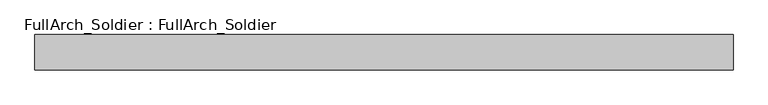
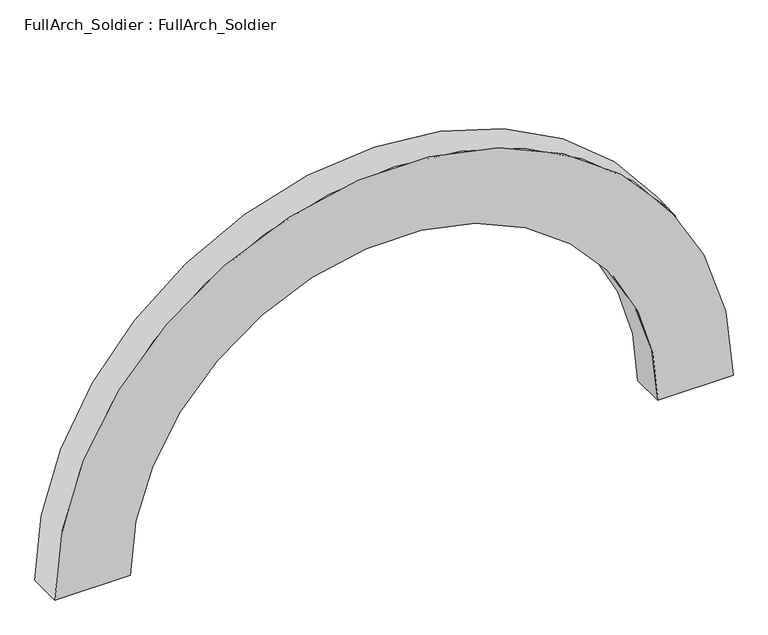
"""IFC4 building model written with IfcOpenShell, lengths in millimetres: proxy geometry, FullArch_Soldier : FullArch_Soldier."""

import ifcopenshell
import ifcopenshell.guid

model = None  # the IFC model being written
_history = None  # IfcOwnerHistory: only IFC2X3 demands one
_inside = {}  # id of a spatial element -> (the spatial element, [elements in it])
_under = {}  # id of a project, library or spatial element -> (it, [spatial elements below it])
_declared = {}  # id of a project -> (the project, [libraries it declares])
_typed = {}  # id of a type object -> (the type object, [elements of that type])
_made_of = {}  # id of a material, layer set ... -> (it, [elements and type objects made of it])


def new_model(schema):
    """Start an empty IFC model of exactly this schema.

    Asked for "IFC4X3", IfcOpenShell would pick the latest addendum, in which some entities
    have other attributes; the version numbers below select the first issue.
    IFC2X3 requires an IfcOwnerHistory on every rooted entity: one is made here for all.
    """
    global model, _history
    if schema == "IFC4X3":
        model = ifcopenshell.file(schema_version=(4, 3, 0, 0))
    else:
        model = ifcopenshell.file(schema=schema)
    _inside.clear()
    _under.clear()
    _declared.clear()
    _typed.clear()
    _made_of.clear()
    _history = None
    if model.schema == "IFC2X3":
        org = make("IfcOrganization", Name="unknown")
        user = make(
            "IfcPersonAndOrganization",
            ThePerson=make("IfcPerson", FamilyName="unknown"),
            TheOrganization=org,
        )
        app = make(
            "IfcApplication",
            ApplicationDeveloper=org,
            Version="unknown",
            ApplicationFullName="unknown",
            ApplicationIdentifier="unknown",
        )
        _history = make(
            "IfcOwnerHistory",
            OwningUser=user,
            OwningApplication=app,
            ChangeAction="ADDED",
            CreationDate=0,
        )
    return model


def make(cls, **values):
    """One entity of the class cls with the attributes given. An attribute that is None is left unset."""
    return model.create_entity(
        cls, **{name: value for name, value in values.items() if value is not None}
    )


def rooted(cls, **values):
    """An entity with a GlobalId (a new one), such as an element, a storey or a relation."""
    return make(cls, GlobalId=ifcopenshell.guid.new(), OwnerHistory=_history, **values)


def si_unit(unit_type, name, prefix=None):
    """IfcSIUnit, for example si_unit("LENGTHUNIT", "METRE", prefix="MILLI")."""
    return make("IfcSIUnit", UnitType=unit_type, Prefix=prefix, Name=name)


def assignment(units):
    """IfcUnitAssignment: the units of a project."""
    return None if units is None else make("IfcUnitAssignment", Units=units)


def point(xyz):
    """IfcCartesianPoint."""
    return None if xyz is None else make("IfcCartesianPoint", Coordinates=xyz)


def direction(xyz):
    """IfcDirection."""
    return None if xyz is None else make("IfcDirection", DirectionRatios=xyz)


def frame(location, z_axis=None, x_axis=None):
    """IfcAxis2Placement3D, a coordinate frame: its origin and axes. An axis left out is left unset."""
    return make(
        "IfcAxis2Placement3D",
        Location=point(location),
        Axis=direction(z_axis),
        RefDirection=direction(x_axis),
    )


def frame_2d(location, x_axis=None):
    """IfcAxis2Placement2D, a coordinate frame in the plane: its origin and x axis."""
    return make(
        "IfcAxis2Placement2D", Location=point(location), RefDirection=direction(x_axis)
    )


def origin():
    """The frame at (0, 0, 0) with its axes left unset."""
    return frame((0.0, 0.0, 0.0))


def origin_2d():
    """The frame at (0, 0) in the plane with its x axis left unset."""
    return frame_2d((0.0, 0.0))


def place(relative_to, where):
    """IfcLocalPlacement: puts the frame where relative to a parent placement (None: the world)."""
    return make(
        "IfcLocalPlacement", PlacementRelTo=relative_to, RelativePlacement=where
    )


def context(
    kind, dimensions, precision=None, world=None, true_north=None, identifier=None
):
    """IfcGeometricRepresentationContext, for example the 3D "Model" context."""
    return make(
        "IfcGeometricRepresentationContext",
        ContextIdentifier=identifier,
        ContextType=kind,
        CoordinateSpaceDimension=dimensions,
        Precision=precision,
        WorldCoordinateSystem=world,
        TrueNorth=true_north,
    )


def project(units=None, contexts=None):
    """IfcProject with its units and contexts."""
    return rooted(
        "IfcProject",
        Name="project",
        RepresentationContexts=contexts,
        UnitsInContext=assignment(units),
    )


def spatial(cls, under=None, at=None, **own):
    """A site, building, storey or space (cls), placed at a placement, below another one or the project."""
    s = rooted(cls, ObjectPlacement=at, **own)
    if under is not None:
        _under.setdefault(under.id(), (under, []))[1].append(s)
    return s


def polyline(points):
    """IfcPolyline through the points."""
    return make("IfcPolyline", Points=[point(p) for p in points])


def circle_curve(where, radius):
    """IfcCircle in the frame where."""
    return make("IfcCircle", Position=where, Radius=radius)


def trimmed(basis, trim1, trim2, sense, master):
    """IfcTrimmedCurve: the piece of a basis curve between two trims."""
    return make(
        "IfcTrimmedCurve",
        BasisCurve=basis,
        Trim1=trim1,
        Trim2=trim2,
        SenseAgreement=sense,
        MasterRepresentation=master,
    )


def segment(curve, same_sense, transition):
    """IfcCompositeCurveSegment."""
    return make(
        "IfcCompositeCurveSegment",
        Transition=transition,
        SameSense=same_sense,
        ParentCurve=curve,
    )


def composite_curve(segments, self_intersect=None):
    """IfcCompositeCurve: segments joined end to end."""
    return make("IfcCompositeCurve", Segments=segments, SelfIntersect=self_intersect)


def outline(outer, holes=None, kind="AREA"):
    """IfcArbitraryClosedProfileDef: a profile drawn as a closed curve; with holes, ...WithVoids."""
    if holes is None:
        return make("IfcArbitraryClosedProfileDef", ProfileType=kind, OuterCurve=outer)
    return make(
        "IfcArbitraryProfileDefWithVoids",
        ProfileType=kind,
        OuterCurve=outer,
        InnerCurves=holes,
    )


def extrude(swept, where, along, depth):
    """IfcExtrudedAreaSolid: the profile swept, set in the frame where, extruded along a direction by depth."""
    return make(
        "IfcExtrudedAreaSolid",
        SweptArea=swept,
        Position=where,
        ExtrudedDirection=direction(along),
        Depth=depth,
    )


def shape(context_of_items, identifier, shape_type, items):
    """IfcShapeRepresentation: the items that make up one representation, for example the "Body"."""
    return make(
        "IfcShapeRepresentation",
        ContextOfItems=context_of_items,
        RepresentationIdentifier=identifier,
        RepresentationType=shape_type,
        Items=items,
    )


def source(mapping_origin, context_of_items, identifier, shape_type, items):
    """IfcRepresentationMap: a shape defined once, which mapped items show again and again."""
    return make(
        "IfcRepresentationMap",
        MappingOrigin=mapping_origin,
        MappedRepresentation=shape(context_of_items, identifier, shape_type, items),
    )


def transform(
    local_origin,
    x_axis=None,
    y_axis=None,
    z_axis=None,
    scale=None,
    scale2=None,
    scale3=None,
    uniform=True,
):
    """IfcCartesianTransformationOperator3D, or its non-uniform kind. x_axis, y_axis, z_axis: its Axis1, 2, 3."""
    if uniform:
        return make(
            "IfcCartesianTransformationOperator3D",
            Axis1=direction(x_axis),
            Axis2=direction(y_axis),
            LocalOrigin=point(local_origin),
            Scale=scale,
            Axis3=direction(z_axis),
        )
    return make(
        "IfcCartesianTransformationOperator3DnonUniform",
        Axis1=direction(x_axis),
        Axis2=direction(y_axis),
        LocalOrigin=point(local_origin),
        Scale=scale,
        Axis3=direction(z_axis),
        Scale2=scale2,
        Scale3=scale3,
    )


def mapped(mapping_source, mapping_target):
    """IfcMappedItem: shows the shape of a source again, moved by a transform."""
    return make(
        "IfcMappedItem", MappingSource=mapping_source, MappingTarget=mapping_target
    )


def made_of(thing, what):
    """Note that an element or type object is made of a material, layer set ...; save() writes the relation."""
    if what is not None:
        _made_of.setdefault(what.id(), (what, []))[1].append(thing)
    return thing


def element(
    cls,
    number,
    at=None,
    inside=None,
    cuts=None,
    type_object=None,
    material=None,
    context=None,
    identifier="Body",
    shape_type=None,
    held_by="IfcProductDefinitionShape",
    body=None,
    shapes=None,
    **own,
):
    """One element of the class cls, such as IfcWall. Its Tag is "e" and its number.

    at: its placement. inside: the storey or other place that contains it. cuts: it is an
    opening in that element (IfcRelVoidsElement). A single representation is given by context,
    identifier, shape_type and body (its items); several are given by shapes. held_by: the class
    of the entity that holds the representations. save() writes the other relations.
    """
    e = rooted(cls, Tag="e%d" % number, ObjectPlacement=at, **own)
    if body is not None:
        shapes = [shape(context, identifier, shape_type, body)]
    if shapes is not None:
        e.Representation = make(held_by, Representations=shapes)
    if inside is not None:
        _inside.setdefault(inside.id(), (inside, []))[1].append(e)
    if cuts is not None:
        rooted(
            "IfcRelVoidsElement", RelatingBuildingElement=cuts, RelatedOpeningElement=e
        )
    if type_object is not None:
        _typed.setdefault(type_object.id(), (type_object, []))[1].append(e)
    return made_of(e, material)


def aggregate(whole, parts):
    """IfcRelAggregates: a whole, such as a stair, and the parts it consists of."""
    return rooted("IfcRelAggregates", RelatingObject=whole, RelatedObjects=parts)


def save(model, path):
    """Write the relations noted so far, then the file.

    IfcRelAggregates (storeys below a building ...), IfcRelContainedInSpatialStructure (elements
    in a storey), IfcRelDefinesByType, IfcRelAssociatesMaterial and IfcRelDeclares: one each for
    every whole, place, type object, material and project.
    """
    for whole, parts in _under.values():
        aggregate(whole, parts)
    for where, things in _inside.values():
        rooted(
            "IfcRelContainedInSpatialStructure",
            RelatedElements=things,
            RelatingStructure=where,
        )
    for kind, things in _typed.values():
        rooted("IfcRelDefinesByType", RelatedObjects=things, RelatingType=kind)
    for what, things in _made_of.values():
        rooted("IfcRelAssociatesMaterial", RelatedObjects=things, RelatingMaterial=what)
    for by, libraries in _declared.values():
        rooted("IfcRelDeclares", RelatingContext=by, RelatedDefinitions=libraries)
    model.write(path)


def fullarch_soldier_fullarch_soldier_e10c1076(model_context):
    return source(origin(), model_context, "Body", "SweptSolid", [
        extrude(outline(composite_curve([segment(polyline([(0.0, 711.2), (0.0, 914.4)]), True, "CONTINUOUS"), segment(trimmed(circle_curve(origin_2d(), 914.4), [point((0.0, 914.4))], [point((0.0, -914.4))], False, "CARTESIAN"), True, "CONTINUOUS"), segment(polyline([(0.0, -914.4), (0.0, -711.2)]), True, "CONTINUOUS"), segment(trimmed(circle_curve(origin_2d(), 711.2), [point((0.0, -711.2))], [point((0.0, 711.2))], True, "CARTESIAN"), True, "CONTINUOUS")], self_intersect=False)), frame((0.0, -28.575, 0.0), z_axis=(0.0, 1.0, 0.0), x_axis=(0.0, 0.0, 1.0)), (0.0, 0.0, 1.0), 92.075),
    ])


if __name__ == "__main__":
    model = new_model("IFC4")
    model_context = context("Model", 3, world=origin())
    ifc_project = project(units=[si_unit("LENGTHUNIT", "METRE", prefix="MILLI")], contexts=[model_context])
    site = spatial("IfcSite", under=ifc_project)
    building = spatial("IfcBuilding", under=site)
    placement = place(None, origin())
    fullarch_soldier_fullarch_soldier_shape = fullarch_soldier_fullarch_soldier_e10c1076(model_context)
    element("IfcBuildingElementProxy", 1, Name="FullArch_Soldier : FullArch_Soldier", ObjectType="FullArch_Soldier : FullArch_Soldier", at=placement, inside=building, context=model_context, shape_type="MappedRepresentation", body=[
        mapped(fullarch_soldier_fullarch_soldier_shape, transform((0.0, 0.0, 0.0), x_axis=(1.0, 0.0, 0.0), y_axis=(0.0, 1.0, 0.0), z_axis=(0.0, 0.0, 1.0))),
    ])
    save(model, "model.ifc")
